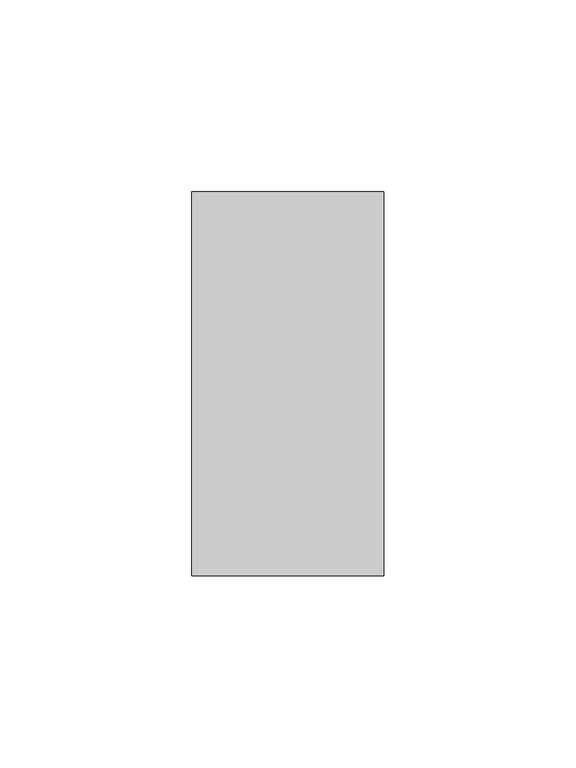
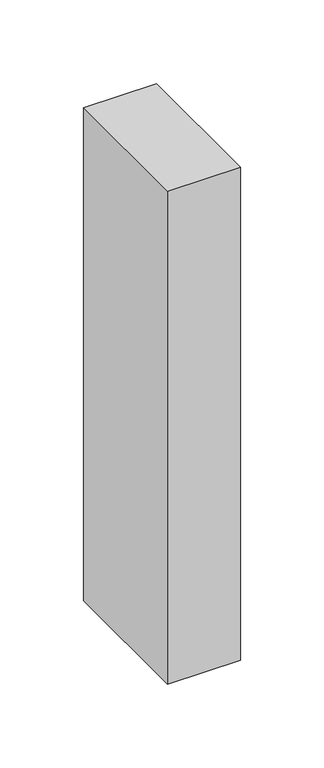
"""IFC4 building model written with IfcOpenShell, lengths in millimetres: member geometry."""

from ifc_helpers import new_model, si_unit, frame, origin, place, context, project, spatial, polyline, outline, extrude, source, transform, mapped, element, save


def member_d0f0cca1(model_context):
    return source(origin(), model_context, "Body", "SweptSolid", [
        extrude(outline(polyline([(0.0, 50.0), (0.0, -50.0), (-50.0, -50.0), (-50.0, 50.0), (0.0, 50.0)])), frame((0.0, 0.0, -358.3333333), z_axis=(0.0, 0.0, 1.0), x_axis=(1.0, 0.0, 0.0)), (0.0, 0.0, 1.0), 358.3333333),
    ])


if __name__ == "__main__":
    model = new_model("IFC4")
    model_context = context("Model", 3, world=origin())
    ifc_project = project(units=[si_unit("LENGTHUNIT", "METRE", prefix="MILLI")], contexts=[model_context])
    site = spatial("IfcSite", under=ifc_project)
    building = spatial("IfcBuilding", under=site)
    placement = place(None, origin())
    member_shape = member_d0f0cca1(model_context)
    element("IfcMember", 1, at=placement, inside=building, context=model_context, shape_type="MappedRepresentation", body=[
        mapped(member_shape, transform((0.0, 0.0, 0.0), x_axis=(1.0, 0.0, 0.0), y_axis=(0.0, 1.0, 0.0), z_axis=(0.0, 0.0, 1.0))),
    ])
    save(model, "model.ifc")
